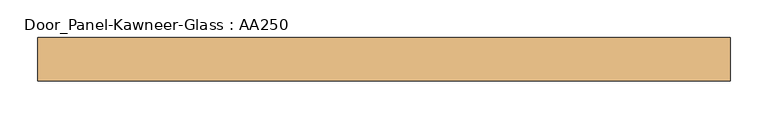
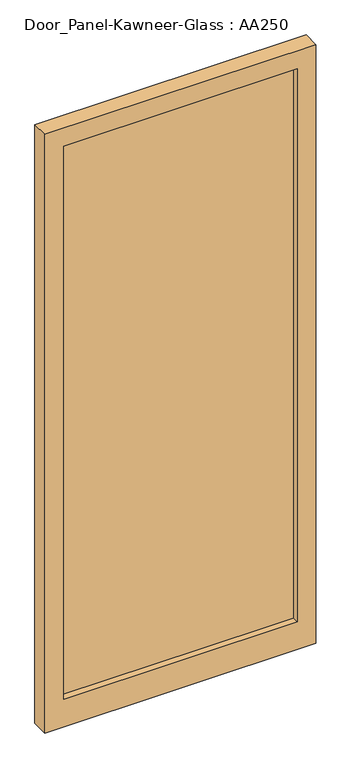
"""IFC4 building model written with IfcOpenShell, lengths in millimetres: door geometry, Door_Panel-Kawneer-Glass : AA250."""

from ifc_helpers import new_model, si_unit, frame, origin, place, context, project, spatial, polyline, outline, extrude, source, transform, mapped, element, save


def door_panel_kawneer_glass_aa250_712486c2(model_context):
    return source(origin(), model_context, "Body", "SweptSolid", [
        extrude(outline(polyline([(850.9, -34.925), (63.5, -34.925), (63.5, -9.525), (850.9, -9.525), (850.9, -34.925)])), frame((0.0, 0.0, 98.425), z_axis=(0.0, 0.0, 1.0), x_axis=(1.0, 0.0, 0.0)), (0.0, 0.0, 1.0), 1971.675),
        extrude(outline(polyline([(2133.6, 914.4), (2133.6, 0.0), (0.0, 0.0), (0.0, 914.4), (2133.6, 914.4)]), holes=[polyline([(2070.1, 850.9), (98.425, 850.9), (98.425, 63.5), (2070.1, 63.5), (2070.1, 850.9)])]), frame((0.0, -57.15, 0.0), z_axis=(0.0, 1.0, 0.0), x_axis=(0.0, 0.0, 1.0)), (0.0, 0.0, 1.0), 57.15),
    ])


if __name__ == "__main__":
    model = new_model("IFC4")
    model_context = context("Model", 3, world=origin())
    ifc_project = project(units=[si_unit("LENGTHUNIT", "METRE", prefix="MILLI")], contexts=[model_context])
    site = spatial("IfcSite", under=ifc_project)
    building = spatial("IfcBuilding", under=site)
    placement = place(None, origin())
    door_panel_kawneer_glass_aa250_shape = door_panel_kawneer_glass_aa250_712486c2(model_context)
    element("IfcDoor", 1, ObjectType="Door_Panel-Kawneer-Glass : AA250", at=placement, inside=building, context=model_context, shape_type="MappedRepresentation", body=[
        mapped(door_panel_kawneer_glass_aa250_shape, transform((0.0, 0.0, 0.0), x_axis=(1.0, 0.0, 0.0), y_axis=(0.0, 1.0, 0.0), z_axis=(0.0, 0.0, 1.0))),
    ])
    save(model, "model.ifc")
